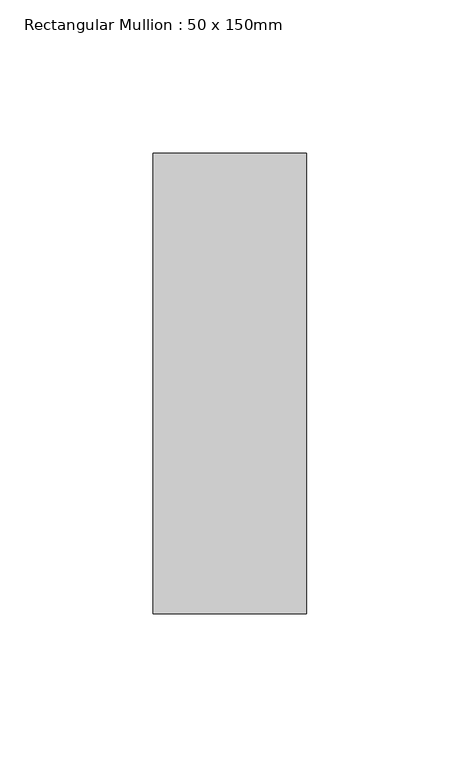
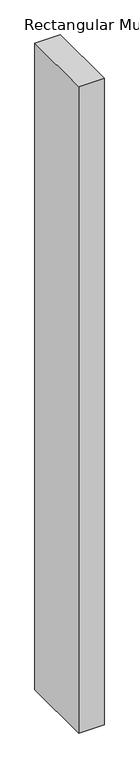
"""IFC4 building model written with IfcOpenShell, lengths in millimetres: member geometry, Rectangular Mullion : 50 x 150mm."""

from ifc_helpers import new_model, si_unit, frame, origin, place, context, project, spatial, polyline, outline, extrude, source, transform, mapped, element, save


def rectangular_mullion_50_x_150mm_8fda323b(model_context):
    return source(origin(), model_context, "Body", "SweptSolid", [
        extrude(outline(polyline([(25.0, 75.0), (25.0, -75.0), (-25.0, -75.0), (-25.0, 75.0), (25.0, 75.0)])), frame((0.0, 0.0, -1350.0), z_axis=(0.0, 0.0, 1.0), x_axis=(1.0, 0.0, 0.0)), (0.0, 0.0, 1.0), 1350.0),
    ])


if __name__ == "__main__":
    model = new_model("IFC4")
    model_context = context("Model", 3, world=origin())
    ifc_project = project(units=[si_unit("LENGTHUNIT", "METRE", prefix="MILLI")], contexts=[model_context])
    site = spatial("IfcSite", under=ifc_project)
    building = spatial("IfcBuilding", under=site)
    placement = place(None, origin())
    rectangular_mullion_50_x_150mm_shape = rectangular_mullion_50_x_150mm_8fda323b(model_context)
    element("IfcMember", 1, ObjectType="Rectangular Mullion : 50 x 150mm", at=placement, inside=building, context=model_context, shape_type="MappedRepresentation", body=[
        mapped(rectangular_mullion_50_x_150mm_shape, transform((0.0, 0.0, 0.0), x_axis=(1.0, 0.0, 0.0), y_axis=(0.0, 1.0, 0.0), z_axis=(0.0, 0.0, 1.0))),
    ])
    save(model, "model.ifc")
